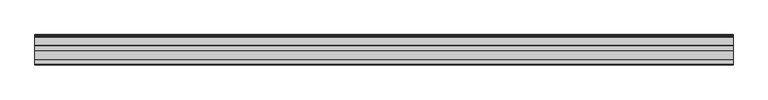
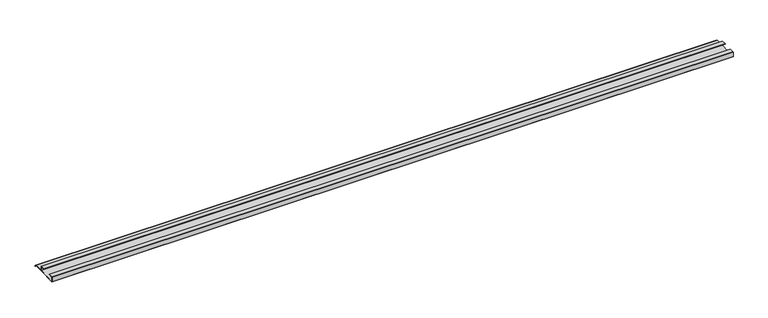
"""IFC4 building model written with IfcOpenShell, lengths in millimetres: furniture geometry."""

from ifc_helpers import new_model, si_unit, frame, origin, place, context, project, spatial, polyline, outline, extrude, source, transform, mapped, element, save


def furniture_23c90547(model_context):
    return source(origin(), model_context, "Body", "SweptSolid", [
        extrude(outline(polyline([(-16.1532518, 534.2151998), (-16.9376349, 533.7968742), (-18.5259585, 535.4674489), (-20.7474799, 536.082782), (-21.763438, 538.1147074), (-45.0034802, 538.1147074), (-92.6265287, 536.082782), (-93.3884975, 536.8447508), (-93.3884975, 549.275), (-92.5947475, 550.06875), (-80.6890189, 550.06875), (-80.6890189, 549.275), (-92.6265287, 549.275), (-92.6265287, 536.8447631), (-45.0034802, 538.9084574), (-45.0034802, 549.275), (-56.9409919, 549.275), (-56.9409919, 550.06875), (-45.0352673, 550.06875), (-44.2415173, 549.275), (-44.2415173, 538.9084574), (-21.763438, 538.9084574), (-20.7474799, 537.0987447), (-18.0685872, 536.2297207), (-16.1532518, 534.2151998)])), frame((-867.5345592, 0.0, 0.0), z_axis=(1.0, 0.0, 0.0), x_axis=(0.0, 1.0, 0.0)), (0.0, 0.0, 1.0), 1774.0122),
    ])


if __name__ == "__main__":
    model = new_model("IFC4")
    model_context = context("Model", 3, world=origin())
    ifc_project = project(units=[si_unit("LENGTHUNIT", "METRE", prefix="MILLI")], contexts=[model_context])
    site = spatial("IfcSite", under=ifc_project)
    building = spatial("IfcBuilding", under=site)
    placement = place(None, origin())
    furniture_shape = furniture_23c90547(model_context)
    element("IfcFurniture", 1, at=placement, inside=building, context=model_context, shape_type="MappedRepresentation", body=[
        mapped(furniture_shape, transform((0.0, 0.0, 0.0), x_axis=(1.0, 0.0, 0.0), y_axis=(0.0, 1.0, 0.0), z_axis=(0.0, 0.0, 1.0))),
    ])
    save(model, "model.ifc")
